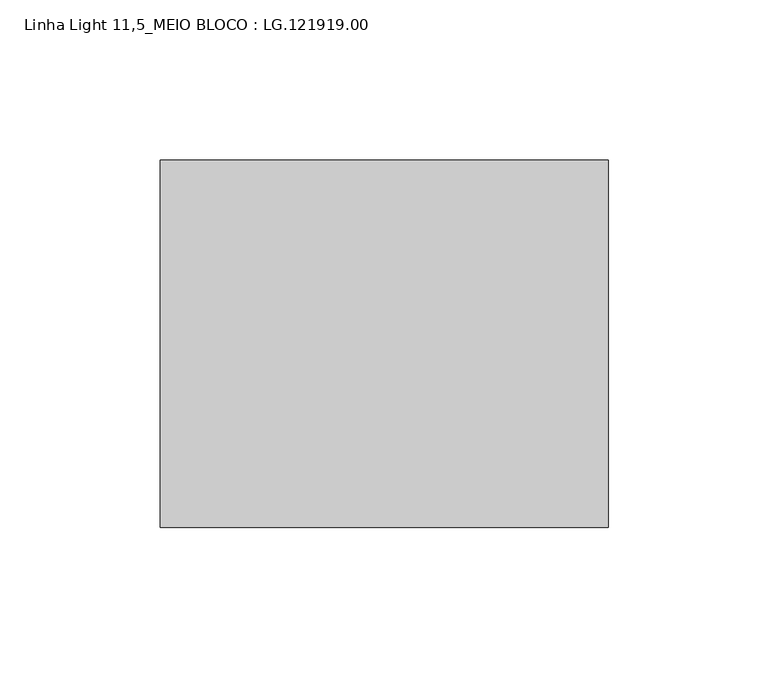
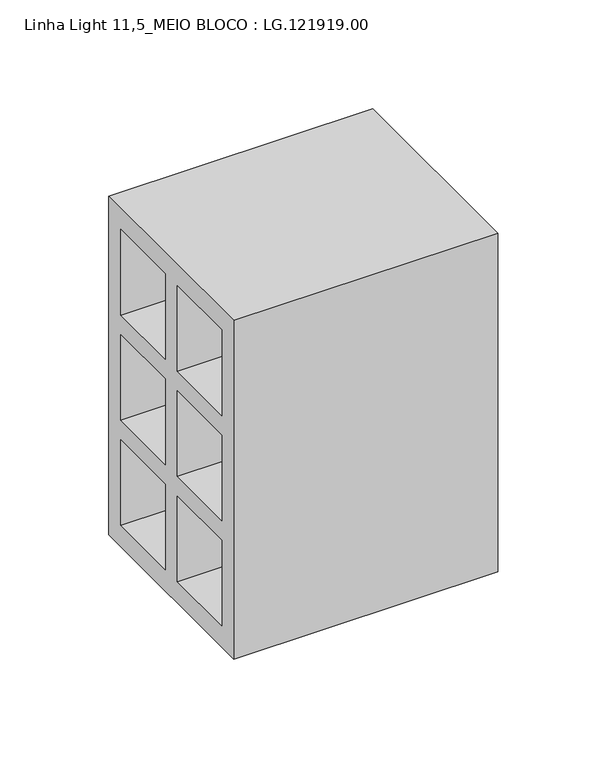
"""IFC4 building model written with IfcOpenShell, lengths in millimetres: proxy geometry, Linha Light 11,5_MEIO BLOCO : LG.121919.00."""

from ifc_helpers import new_model, si_unit, frame, origin, place, context, project, spatial, polyline, outline, extrude, source, transform, mapped, element, save


def linha_light_11_5_meio_bloco_lg_121919_00_db901e4c(model_context):
    return source(origin(), model_context, "Body", "SweptSolid", [
        extrude(outline(polyline([(-57.5, 0.0), (-57.5, 190.0), (57.5, 190.0), (57.5, 0.0), (-57.5, 0.0)]), holes=[polyline([(5.5, 178.0), (5.5, 130.0), (46.5, 130.0), (46.5, 178.0), (5.5, 178.0)]), polyline([(-46.5, 178.0), (-46.5, 130.0), (-5.5, 130.0), (-5.5, 178.0), (-46.5, 178.0)]), polyline([(-5.5, 119.0), (-46.5, 119.0), (-46.5, 71.0), (-5.5, 71.0), (-5.5, 119.0)]), polyline([(46.5, 71.0), (46.5, 119.0), (5.5, 119.0), (5.5, 71.0), (46.5, 71.0)]), polyline([(46.5, 60.0), (5.5, 60.0), (5.5, 12.0), (46.5, 12.0), (46.5, 60.0)]), polyline([(-5.5, 60.0), (-46.5, 60.0), (-46.5, 12.0), (-5.5, 12.0), (-5.5, 60.0)])]), frame((5.0, 0.0, 0.0), z_axis=(1.0, 0.0, 0.0), x_axis=(0.0, 1.0, 0.0)), (0.0, 0.0, 1.0), 140.0),
    ])


if __name__ == "__main__":
    model = new_model("IFC4")
    model_context = context("Model", 3, world=origin())
    ifc_project = project(units=[si_unit("LENGTHUNIT", "METRE", prefix="MILLI")], contexts=[model_context])
    site = spatial("IfcSite", under=ifc_project)
    building = spatial("IfcBuilding", under=site)
    placement = place(None, origin())
    linha_light_11_5_meio_bloco_lg_121919_00_shape = linha_light_11_5_meio_bloco_lg_121919_00_db901e4c(model_context)
    element("IfcBuildingElementProxy", 1, Name="Linha Light 11,5_MEIO BLOCO : LG.121919.00", ObjectType="Linha Light 11,5_MEIO BLOCO : LG.121919.00", at=placement, inside=building, context=model_context, shape_type="MappedRepresentation", body=[
        mapped(linha_light_11_5_meio_bloco_lg_121919_00_shape, transform((0.0, 0.0, 0.0), x_axis=(1.0, 0.0, 0.0), y_axis=(0.0, 1.0, 0.0), z_axis=(0.0, 0.0, 1.0))),
    ])
    save(model, "model.ifc")
